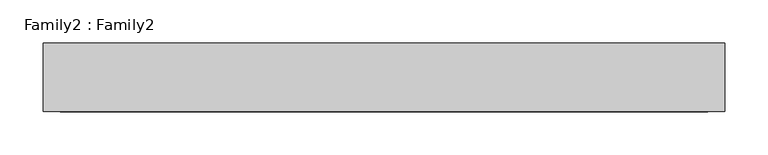
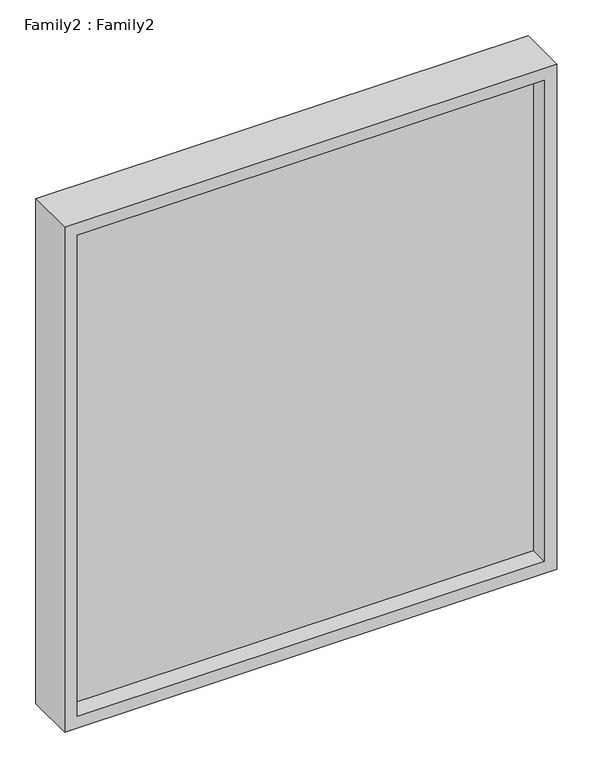
"""IFC4 building model written with IfcOpenShell, lengths in millimetres: plate geometry, Family2 : Family2."""

from ifc_helpers import new_model, si_unit, frame, origin, place, context, project, spatial, polyline, outline, extrude, source, transform, mapped, element, save


def family2_family2_b91b4e9f(model_context):
    return source(origin(), model_context, "Body", "SweptSolid", [
        extrude(outline(polyline([(858.3333333, -395.8333333), (0.0, -395.8333333), (0.0, 395.8333333), (858.3333333, 395.8333333), (858.3333333, -395.8333333)]), holes=[polyline([(20.0, -375.8333333), (838.3333333, -375.8333333), (838.3333333, 375.8333333), (20.0, 375.8333333), (20.0, -375.8333333)])]), frame((0.0, -40.0, 0.0), z_axis=(0.0, 1.0, 0.0), x_axis=(0.0, 0.0, 1.0)), (0.0, 0.0, 1.0), 80.0),
        extrude(outline(polyline([(375.8333333, -10.0), (-375.8333333, -10.0), (-375.8333333, 10.0), (375.8333333, 10.0), (375.8333333, -10.0)])), frame((0.0, 0.0, 20.0), z_axis=(0.0, 0.0, 1.0), x_axis=(1.0, 0.0, 0.0)), (0.0, 0.0, 1.0), 818.3333333),
    ])


if __name__ == "__main__":
    model = new_model("IFC4")
    model_context = context("Model", 3, world=origin())
    ifc_project = project(units=[si_unit("LENGTHUNIT", "METRE", prefix="MILLI")], contexts=[model_context])
    site = spatial("IfcSite", under=ifc_project)
    building = spatial("IfcBuilding", under=site)
    placement = place(None, origin())
    family2_family2_shape = family2_family2_b91b4e9f(model_context)
    element("IfcPlate", 1, ObjectType="Family2 : Family2", at=placement, inside=building, context=model_context, shape_type="MappedRepresentation", body=[
        mapped(family2_family2_shape, transform((0.0, 0.0, 0.0), x_axis=(1.0, 0.0, 0.0), y_axis=(0.0, 1.0, 0.0), z_axis=(0.0, 0.0, 1.0))),
    ])
    save(model, "model.ifc")
